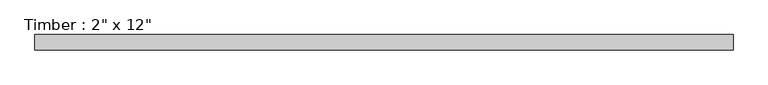
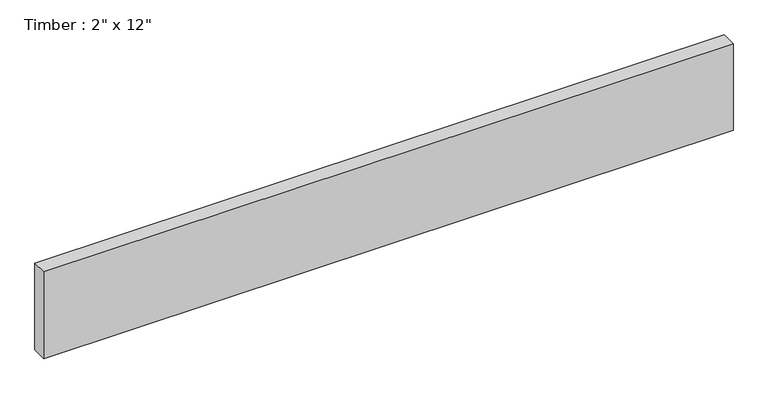
"""IFC4 building model written with IfcOpenShell, lengths in millimetres: beam geometry."""

import ifcopenshell
import ifcopenshell.guid

model = None  # the IFC model being written
_history = None  # IfcOwnerHistory: only IFC2X3 demands one
_inside = {}  # id of a spatial element -> (the spatial element, [elements in it])
_under = {}  # id of a project, library or spatial element -> (it, [spatial elements below it])
_declared = {}  # id of a project -> (the project, [libraries it declares])
_typed = {}  # id of a type object -> (the type object, [elements of that type])
_made_of = {}  # id of a material, layer set ... -> (it, [elements and type objects made of it])


def new_model(schema):
    """Start an empty IFC model of exactly this schema.

    Asked for "IFC4X3", IfcOpenShell would pick the latest addendum, in which some entities
    have other attributes; the version numbers below select the first issue.
    IFC2X3 requires an IfcOwnerHistory on every rooted entity: one is made here for all.
    """
    global model, _history
    if schema == "IFC4X3":
        model = ifcopenshell.file(schema_version=(4, 3, 0, 0))
    else:
        model = ifcopenshell.file(schema=schema)
    _inside.clear()
    _under.clear()
    _declared.clear()
    _typed.clear()
    _made_of.clear()
    _history = None
    if model.schema == "IFC2X3":
        org = make("IfcOrganization", Name="unknown")
        user = make(
            "IfcPersonAndOrganization",
            ThePerson=make("IfcPerson", FamilyName="unknown"),
            TheOrganization=org,
        )
        app = make(
            "IfcApplication",
            ApplicationDeveloper=org,
            Version="unknown",
            ApplicationFullName="unknown",
            ApplicationIdentifier="unknown",
        )
        _history = make(
            "IfcOwnerHistory",
            OwningUser=user,
            OwningApplication=app,
            ChangeAction="ADDED",
            CreationDate=0,
        )
    return model


def make(cls, **values):
    """One entity of the class cls with the attributes given. An attribute that is None is left unset."""
    return model.create_entity(
        cls, **{name: value for name, value in values.items() if value is not None}
    )


def rooted(cls, **values):
    """An entity with a GlobalId (a new one), such as an element, a storey or a relation."""
    return make(cls, GlobalId=ifcopenshell.guid.new(), OwnerHistory=_history, **values)


def si_unit(unit_type, name, prefix=None):
    """IfcSIUnit, for example si_unit("LENGTHUNIT", "METRE", prefix="MILLI")."""
    return make("IfcSIUnit", UnitType=unit_type, Prefix=prefix, Name=name)


def assignment(units):
    """IfcUnitAssignment: the units of a project."""
    return None if units is None else make("IfcUnitAssignment", Units=units)


def point(xyz):
    """IfcCartesianPoint."""
    return None if xyz is None else make("IfcCartesianPoint", Coordinates=xyz)


def direction(xyz):
    """IfcDirection."""
    return None if xyz is None else make("IfcDirection", DirectionRatios=xyz)


def frame(location, z_axis=None, x_axis=None):
    """IfcAxis2Placement3D, a coordinate frame: its origin and axes. An axis left out is left unset."""
    return make(
        "IfcAxis2Placement3D",
        Location=point(location),
        Axis=direction(z_axis),
        RefDirection=direction(x_axis),
    )


def origin():
    """The frame at (0, 0, 0) with its axes left unset."""
    return frame((0.0, 0.0, 0.0))


def place(relative_to, where):
    """IfcLocalPlacement: puts the frame where relative to a parent placement (None: the world)."""
    return make(
        "IfcLocalPlacement", PlacementRelTo=relative_to, RelativePlacement=where
    )


def context(
    kind, dimensions, precision=None, world=None, true_north=None, identifier=None
):
    """IfcGeometricRepresentationContext, for example the 3D "Model" context."""
    return make(
        "IfcGeometricRepresentationContext",
        ContextIdentifier=identifier,
        ContextType=kind,
        CoordinateSpaceDimension=dimensions,
        Precision=precision,
        WorldCoordinateSystem=world,
        TrueNorth=true_north,
    )


def project(units=None, contexts=None):
    """IfcProject with its units and contexts."""
    return rooted(
        "IfcProject",
        Name="project",
        RepresentationContexts=contexts,
        UnitsInContext=assignment(units),
    )


def spatial(cls, under=None, at=None, **own):
    """A site, building, storey or space (cls), placed at a placement, below another one or the project."""
    s = rooted(cls, ObjectPlacement=at, **own)
    if under is not None:
        _under.setdefault(under.id(), (under, []))[1].append(s)
    return s


def polyline(points):
    """IfcPolyline through the points."""
    return make("IfcPolyline", Points=[point(p) for p in points])


def outline(outer, holes=None, kind="AREA"):
    """IfcArbitraryClosedProfileDef: a profile drawn as a closed curve; with holes, ...WithVoids."""
    if holes is None:
        return make("IfcArbitraryClosedProfileDef", ProfileType=kind, OuterCurve=outer)
    return make(
        "IfcArbitraryProfileDefWithVoids",
        ProfileType=kind,
        OuterCurve=outer,
        InnerCurves=holes,
    )


def extrude(swept, where, along, depth):
    """IfcExtrudedAreaSolid: the profile swept, set in the frame where, extruded along a direction by depth."""
    return make(
        "IfcExtrudedAreaSolid",
        SweptArea=swept,
        Position=where,
        ExtrudedDirection=direction(along),
        Depth=depth,
    )


def shape(context_of_items, identifier, shape_type, items):
    """IfcShapeRepresentation: the items that make up one representation, for example the "Body"."""
    return make(
        "IfcShapeRepresentation",
        ContextOfItems=context_of_items,
        RepresentationIdentifier=identifier,
        RepresentationType=shape_type,
        Items=items,
    )


def source(mapping_origin, context_of_items, identifier, shape_type, items):
    """IfcRepresentationMap: a shape defined once, which mapped items show again and again."""
    return make(
        "IfcRepresentationMap",
        MappingOrigin=mapping_origin,
        MappedRepresentation=shape(context_of_items, identifier, shape_type, items),
    )


def transform(
    local_origin,
    x_axis=None,
    y_axis=None,
    z_axis=None,
    scale=None,
    scale2=None,
    scale3=None,
    uniform=True,
):
    """IfcCartesianTransformationOperator3D, or its non-uniform kind. x_axis, y_axis, z_axis: its Axis1, 2, 3."""
    if uniform:
        return make(
            "IfcCartesianTransformationOperator3D",
            Axis1=direction(x_axis),
            Axis2=direction(y_axis),
            LocalOrigin=point(local_origin),
            Scale=scale,
            Axis3=direction(z_axis),
        )
    return make(
        "IfcCartesianTransformationOperator3DnonUniform",
        Axis1=direction(x_axis),
        Axis2=direction(y_axis),
        LocalOrigin=point(local_origin),
        Scale=scale,
        Axis3=direction(z_axis),
        Scale2=scale2,
        Scale3=scale3,
    )


def mapped(mapping_source, mapping_target):
    """IfcMappedItem: shows the shape of a source again, moved by a transform."""
    return make(
        "IfcMappedItem", MappingSource=mapping_source, MappingTarget=mapping_target
    )


def made_of(thing, what):
    """Note that an element or type object is made of a material, layer set ...; save() writes the relation."""
    if what is not None:
        _made_of.setdefault(what.id(), (what, []))[1].append(thing)
    return thing


def element(
    cls,
    number,
    at=None,
    inside=None,
    cuts=None,
    type_object=None,
    material=None,
    context=None,
    identifier="Body",
    shape_type=None,
    held_by="IfcProductDefinitionShape",
    body=None,
    shapes=None,
    **own,
):
    """One element of the class cls, such as IfcWall. Its Tag is "e" and its number.

    at: its placement. inside: the storey or other place that contains it. cuts: it is an
    opening in that element (IfcRelVoidsElement). A single representation is given by context,
    identifier, shape_type and body (its items); several are given by shapes. held_by: the class
    of the entity that holds the representations. save() writes the other relations.
    """
    e = rooted(cls, Tag="e%d" % number, ObjectPlacement=at, **own)
    if body is not None:
        shapes = [shape(context, identifier, shape_type, body)]
    if shapes is not None:
        e.Representation = make(held_by, Representations=shapes)
    if inside is not None:
        _inside.setdefault(inside.id(), (inside, []))[1].append(e)
    if cuts is not None:
        rooted(
            "IfcRelVoidsElement", RelatingBuildingElement=cuts, RelatedOpeningElement=e
        )
    if type_object is not None:
        _typed.setdefault(type_object.id(), (type_object, []))[1].append(e)
    return made_of(e, material)


def aggregate(whole, parts):
    """IfcRelAggregates: a whole, such as a stair, and the parts it consists of."""
    return rooted("IfcRelAggregates", RelatingObject=whole, RelatedObjects=parts)


def save(model, path):
    """Write the relations noted so far, then the file.

    IfcRelAggregates (storeys below a building ...), IfcRelContainedInSpatialStructure (elements
    in a storey), IfcRelDefinesByType, IfcRelAssociatesMaterial and IfcRelDeclares: one each for
    every whole, place, type object, material and project.
    """
    for whole, parts in _under.values():
        aggregate(whole, parts)
    for where, things in _inside.values():
        rooted(
            "IfcRelContainedInSpatialStructure",
            RelatedElements=things,
            RelatingStructure=where,
        )
    for kind, things in _typed.values():
        rooted("IfcRelDefinesByType", RelatedObjects=things, RelatingType=kind)
    for what, things in _made_of.values():
        rooted("IfcRelAssociatesMaterial", RelatedObjects=things, RelatingMaterial=what)
    for by, libraries in _declared.values():
        rooted("IfcRelDeclares", RelatingContext=by, RelatedDefinitions=libraries)
    model.write(path)


def beam_d0b2e54a(model_context):
    return source(origin(), model_context, "Body", "SweptSolid", [
        extrude(outline(polyline([(1146.1750003, 25.4), (1146.1750003, -25.4), (-1146.1750003, -25.4), (-1146.1750003, 25.4), (1146.1750003, 25.4)])), frame((0.0, 0.0, -152.4), z_axis=(0.0, 0.0, 1.0), x_axis=(1.0, 0.0, 0.0)), (0.0, 0.0, 1.0), 304.8),
    ])


if __name__ == "__main__":
    model = new_model("IFC4")
    model_context = context("Model", 3, world=origin())
    ifc_project = project(units=[si_unit("LENGTHUNIT", "METRE", prefix="MILLI")], contexts=[model_context])
    site = spatial("IfcSite", under=ifc_project)
    building = spatial("IfcBuilding", under=site)
    placement = place(None, origin())
    beam_shape = beam_d0b2e54a(model_context)
    element("IfcBeam", 1, ObjectType="Timber : 2\" x 12\"", at=placement, inside=building, context=model_context, shape_type="MappedRepresentation", body=[
        mapped(beam_shape, transform((0.0, 0.0, 0.0), x_axis=(1.0, 0.0, 0.0), y_axis=(0.0, 1.0, 0.0), z_axis=(0.0, 0.0, 1.0))),
    ])
    save(model, "model.ifc")
